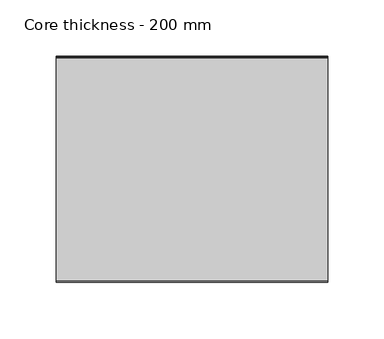
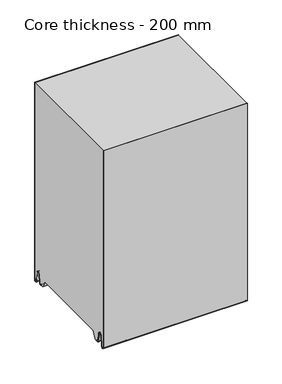
"""IFC4 building model written with IfcOpenShell, lengths in millimetres: plate geometry, Core thickness - 200 mm."""

from ifc_helpers import new_model, si_unit, frame, origin, place, context, project, spatial, polyline, circle_curve, source, transform, mapped, element, save
from ifc_brep_helpers import plane_surface, cylinder_surface, revolved_surface, advanced_brep


def core_thickness_200_mm_a0daf957(model_context):
    return source(origin(), model_context, "Body", "AdvancedBrep", [
        advanced_brep(
        [(119.9999998, -199.9996949, 3.0900682), (119.9999998, -193.81449, 2.7875612), (119.9999998, -192.197116, 19.2828169), (119.9999998, -189.1776715, 21.9898782), (119.9999998, -186.1582271, 19.2828169), (119.9999998, -184.7725998, 5.1510966), (119.9999998, -180.3830995, 5.365779), (119.9999998, -181.1830995, 5.365779), (119.9999998, -183.9764178, 5.2291629), (119.9999998, -185.3620451, 19.3608832), (119.9999998, -189.1776715, 22.7899182), (119.9999998, -192.9932979, 19.3608832), (119.9999998, -194.6106719, 2.8656275), (119.9999998, -199.1996949, 3.0900682), (119.9999998, -199.2, 350.0), (119.9999998, -199.9996949, 350.0), (-119.9999998, -199.1996949, 3.0900682), (-119.9999998, -194.6106719, 2.8656275), (-119.9999998, -192.9932979, 19.3608832), (-119.9999998, -189.1776715, 22.7899182), (-119.9999998, -185.3620451, 19.3608832), (-119.9999998, -183.9764178, 5.2291629), (-119.9999998, -181.1830995, 5.365779), (-119.9999998, -180.3830995, 5.365779), (-119.9999998, -184.7725998, 5.1510966), (-119.9999998, -186.1582271, 19.2828169), (-119.9999998, -189.1776715, 21.9898782), (-119.9999998, -192.197116, 19.2828169), (-119.9999998, -193.81449, 2.7875612), (-119.9999998, -199.9996949, 3.0900682), (-119.9999998, -199.9996949, 350.0), (-119.9999998, -199.2, 350.0)],
        [
            (0, 1, circle_curve(frame((119.9999998, -196.8996949, 3.0900682), z_axis=(1.0, 0.0, 0.0), x_axis=(0.0, 0.0, -1.0)), 3.1)),
            (1, 2),
            (2, 3, circle_curve(frame((119.9999998, -189.2114338, 18.9900682), z_axis=(-1.0, 0.0, 0.0), x_axis=(0.0, 0.0, -1.0)), 3.0)),
            (3, 4, circle_curve(frame((119.9999998, -189.1439093, 18.9900682), z_axis=(-1.0, 0.0, 0.0), x_axis=(0.0, 0.0, -1.0)), 3.0)),
            (4, 5),
            (5, 6, circle_curve(frame((119.9999998, -182.5830995, 5.365779), z_axis=(1.0, 0.0, 0.0), x_axis=(0.0, 0.0, -1.0)), 2.2)),
            (6, 7),
            (7, 8, circle_curve(frame((119.9999998, -182.5830995, 5.365779), z_axis=(-1.0, 0.0, 0.0), x_axis=(0.0, 0.0, -1.0)), 1.4)),
            (8, 9),
            (9, 10, circle_curve(frame((119.9999998, -189.1439093, 18.9900682), z_axis=(1.0, 0.0, 0.0), x_axis=(0.0, 0.0, -1.0)), 3.8)),
            (10, 11, circle_curve(frame((119.9999998, -189.2114338, 18.9900682), z_axis=(1.0, 0.0, 0.0), x_axis=(0.0, 0.0, -1.0)), 3.8)),
            (11, 12),
            (12, 13, circle_curve(frame((119.9999998, -196.8996949, 3.0900682), z_axis=(-1.0, 0.0, 0.0), x_axis=(0.0, 0.0, -1.0)), 2.3)),
            (13, 14),
            (14, 15),
            (15, 0),
            (16, 17, circle_curve(frame((-119.9999998, -196.8996949, 3.0900682), z_axis=(1.0, 0.0, 0.0), x_axis=(0.0, 0.0, -1.0)), 2.3)),
            (17, 18),
            (18, 19, circle_curve(frame((-119.9999998, -189.2114338, 18.9900682), z_axis=(-1.0, 0.0, 0.0), x_axis=(0.0, 0.0, -1.0)), 3.8)),
            (19, 20, circle_curve(frame((-119.9999998, -189.1439093, 18.9900682), z_axis=(-1.0, 0.0, 0.0), x_axis=(0.0, 0.0, -1.0)), 3.8)),
            (20, 21),
            (21, 22, circle_curve(frame((-119.9999998, -182.5830995, 5.365779), z_axis=(1.0, 0.0, 0.0), x_axis=(0.0, 0.0, -1.0)), 1.4)),
            (22, 23),
            (23, 24, circle_curve(frame((-119.9999998, -182.5830995, 5.365779), z_axis=(-1.0, 0.0, 0.0), x_axis=(0.0, 0.0, -1.0)), 2.2)),
            (24, 25),
            (25, 26, circle_curve(frame((-119.9999998, -189.1439093, 18.9900682), z_axis=(1.0, 0.0, 0.0), x_axis=(0.0, 0.0, -1.0)), 3.0)),
            (26, 27, circle_curve(frame((-119.9999998, -189.2114338, 18.9900682), z_axis=(1.0, 0.0, 0.0), x_axis=(0.0, 0.0, -1.0)), 3.0)),
            (27, 28),
            (28, 29, circle_curve(frame((-119.9999998, -196.8996949, 3.0900682), z_axis=(-1.0, 0.0, 0.0), x_axis=(0.0, 0.0, -1.0)), 3.1)),
            (29, 30),
            (30, 31),
            (31, 16),
            (13, 16),
            (31, 14),
            (29, 0),
            (15, 30),
            (12, 17),
            (11, 18),
            (10, 19),
            (9, 20),
            (8, 21),
            (7, 22),
            (6, 23),
            (5, 24),
            (4, 25),
            (3, 26),
            (2, 27),
            (1, 28),
        ],
        [
            plane_surface(frame((119.9999998, -200.0, 0.0), z_axis=(1.0, 0.0, 0.0), x_axis=(0.0, 1.0, 0.0))),
            plane_surface(frame((-119.9999998, -200.0, 0.0), z_axis=(-1.0, 0.0, 0.0), x_axis=(0.0, 1.0, 0.0))),
            plane_surface(frame((119.9999998, -199.2, 3.0900682), z_axis=(0.0, 1.0, 0.0), x_axis=(-1.0, 0.0, 0.0))),
            plane_surface(frame((119.9999998, -199.9996949, 1143.9000005), z_axis=(0.0, -1.0, 0.0), x_axis=(-1.0, 0.0, 0.0))),
            revolved_surface(polyline([(-119.9999998, -196.8996949, 0.7900682000000003), (119.9999998, -196.8996949, 0.7900682000000003)]), (119.9999998, -196.8996949, 3.0900682), (-1.0, 0.0, 0.0)),
            plane_surface(frame((119.9999998, -192.9932979, 19.3608832), z_axis=(0.0, -0.9952273999818314, 0.09758289975914787), x_axis=(-1.0, 0.0, 0.0))),
            cylinder_surface(frame((119.9999998, -189.2114338, 18.9900682), z_axis=(1.0, 0.0, 0.0), x_axis=(0.0, 0.0, -1.0)), 3.8),
            cylinder_surface(frame((119.9999998, -189.1439093, 18.9900682), z_axis=(1.0, 0.0, 0.0), x_axis=(0.0, 0.0, -1.0)), 3.8),
            plane_surface(frame((119.9999998, -183.9764178, 5.2291629), z_axis=(0.0, 0.9952273999818297, 0.09758289975916531), x_axis=(-1.0, 0.0, 0.0))),
            revolved_surface(polyline([(-119.9999998, -182.5830995, 3.965779), (119.9999998, -182.5830995, 3.965779)]), (119.9999998, -182.5830995, 5.365779), (-1.0, 0.0, 0.0)),
            plane_surface(frame((119.9999998, -180.3830995, 5.365779), z_axis=(0.0, 0.0, 1.0), x_axis=(-1.0, 0.0, 0.0))),
            cylinder_surface(frame((119.9999998, -182.5830995, 5.365779), z_axis=(1.0, 0.0, 0.0), x_axis=(0.0, 0.0, -1.0)), 2.2),
            plane_surface(frame((119.9999998, -186.1582271, 19.2828169), z_axis=(0.0, -0.9952273999818296, -0.09758289975916527), x_axis=(-1.0, 0.0, 0.0))),
            revolved_surface(polyline([(-119.9999998, -189.1439093, 15.9900682), (119.9999998, -189.1439093, 15.9900682)]), (119.9999998, -189.1439093, 18.9900682), (-1.0, 0.0, 0.0)),
            revolved_surface(polyline([(-119.9999998, -189.2114338, 15.9900682), (119.9999998, -189.2114338, 15.9900682)]), (119.9999998, -189.2114338, 18.9900682), (-1.0, 0.0, 0.0)),
            plane_surface(frame((119.9999998, -193.81449, 2.7875612), z_axis=(0.0, 0.9952273999818314, -0.09758289975914787), x_axis=(-1.0, 0.0, 0.0))),
            cylinder_surface(frame((119.9999998, -196.8996949, 3.0900682), z_axis=(1.0, 0.0, 0.0), x_axis=(0.0, 0.0, -1.0)), 3.1),
            plane_surface(frame((-119.9999998, 134.0533409, 350.0), z_axis=(0.0, 0.0, 1.0), x_axis=(1.0, 0.0, 0.0))),
        ],
        [
            (0, [[1, 2, 3, 4, 5, 6, 7, 8, 9, 10, 11, 12, 13, 14, 15, 16]]),
            (1, [[17, 18, 19, 20, 21, 22, 23, 24, 25, 26, 27, 28, 29, 30, 31, 32]]),
            (2, [[33, -32, 34, -14]]),
            (3, [[35, -16, 36, -30]]),
            (4, [[-13, 37, -17, -33]]),
            (5, [[-12, 38, -18, -37]]),
            (6, [[-11, 39, -19, -38]]),
            (7, [[-10, 40, -20, -39]]),
            (8, [[-9, 41, -21, -40]]),
            (9, [[-8, 42, -22, -41]]),
            (10, [[-7, 43, -23, -42]]),
            (11, [[-6, 44, -24, -43]]),
            (12, [[-5, 45, -25, -44]]),
            (13, [[-4, 46, -26, -45]]),
            (14, [[-3, 47, -27, -46]]),
            (15, [[-2, 48, -28, -47]]),
            (16, [[-1, -35, -29, -48]]),
            (17, [[-15, -34, -31, -36]]),
        ],
    ),
        advanced_brep(
        [(119.9999998, -169.873448, 15.1417681), (119.9999998, -30.126552, 15.1417681), (119.9999998, -23.4071318, 3.165779), (119.9999998, -17.4169005, 3.165779), (119.9999998, -19.6169005, 5.365779), (119.9999998, -18.8169005, 5.365779), (119.9999998, -16.0235822, 5.2291629), (119.9999998, -14.6379549, 19.3608832), (119.9999998, -10.8223285, 22.7899182), (119.9999998, -7.0067021, 19.3608832), (119.9999998, -5.3893281, 2.8656275), (119.9999998, -1.0794848, 4.1883784), (119.9999998, -1.5003051, 5.8439114), (119.9999998, -1.5003051, 42.0511837), (119.9999998, -1.0971009, 43.4705951), (119.9999998, -0.8, 44.5229805), (119.9999998, -0.8, 94.6827637), (119.9999998, -1.0986697, 95.7341795), (119.9999998, -1.5003051, 97.1545605), (119.9999998, -1.5003051, 147.3143437), (119.9999998, -1.0971009, 148.7337551), (119.9999998, -0.8, 149.7861405), (119.9999998, -0.8, 199.9459237), (119.9999998, -1.0986697, 200.9973395), (119.9999998, -1.5003051, 202.4177205), (119.9999998, -1.5003051, 252.5775037), (119.9999998, -1.0971009, 253.9969151), (119.9999998, -0.8, 255.0493005), (119.9999998, -0.8, 305.2090837), (119.9999998, -1.0986697, 306.2604995), (119.9999998, -1.5003051, 307.6808805), (119.9999998, -1.5003051, 350.0), (119.9999998, -199.2, 350.0), (119.9999998, -199.2, 3.0900682), (119.9999998, -194.6106719, 2.8656275), (119.9999998, -192.9932979, 19.3608832), (119.9999998, -189.1776715, 22.7899182), (119.9999998, -185.3620451, 19.3608832), (119.9999998, -183.9764178, 5.2291629), (119.9999998, -181.1830995, 5.365779), (119.9999998, -180.3830995, 5.365779), (119.9999998, -182.5830995, 3.165779), (119.9999998, -176.5928682, 3.165779), (-119.9999998, -30.126552, 15.1417681), (-119.9999998, -169.873448, 15.1417681), (-119.9999998, -176.5928682, 3.165779), (-119.9999998, -182.5830995, 3.165779), (-119.9999998, -180.3830995, 5.365779), (-119.9999998, -181.1830995, 5.365779), (-119.9999998, -183.9764178, 5.2291629), (-119.9999998, -185.3620451, 19.3608832), (-119.9999998, -189.1776715, 22.7899182), (-119.9999998, -192.9932979, 19.3608832), (-119.9999998, -194.6106719, 2.8656275), (-119.9999998, -199.1996949, 3.0900682), (-119.9999998, -199.2, 350.0), (-119.9999998, -1.5003051, 350.0), (-119.9999998, -1.5003051, 307.6808805), (-119.9999998, -1.0971009, 306.2614691), (-119.9999998, -0.8, 305.2090837), (-119.9999998, -0.8, 255.0493005), (-119.9999998, -1.0986697, 253.9978846), (-119.9999998, -1.5003051, 252.5775037), (-119.9999998, -1.5003051, 202.4177205), (-119.9999998, -1.0971009, 200.9983091), (-119.9999998, -0.8, 199.9459237), (-119.9999998, -0.8, 149.7861405), (-119.9999998, -1.0986697, 148.7347246), (-119.9999998, -1.5003051, 147.3143437), (-119.9999998, -1.5003051, 97.1545605), (-119.9999998, -1.0971009, 95.7351491), (-119.9999998, -0.8, 94.6827637), (-119.9999998, -0.8, 44.5229805), (-119.9999998, -1.0986697, 43.4715646), (-119.9999998, -1.5003051, 42.0511837), (-119.9999998, -1.5003051, 5.8439114), (-119.9999998, -1.0794848, 4.1883784), (-119.9999998, -5.3893281, 2.8656275), (-119.9999998, -7.0067021, 19.3608832), (-119.9999998, -10.8223285, 22.7899182), (-119.9999998, -14.6379549, 19.3608832), (-119.9999998, -16.0235822, 5.2291629), (-119.9999998, -18.8169005, 5.365779), (-119.9999998, -19.6169005, 5.365779), (-119.9999998, -17.4169005, 3.165779), (-119.9999998, -23.4071318, 3.165779)],
        [
            (0, 1),
            (1, 2),
            (2, 3),
            (3, 4, circle_curve(frame((119.9999998, -17.4169005, 5.365779), z_axis=(-1.0, 0.0, 0.0), x_axis=(0.0, 0.0, -1.0)), 2.2)),
            (4, 5),
            (5, 6, circle_curve(frame((119.9999998, -17.4169005, 5.365779), z_axis=(1.0, 0.0, 0.0), x_axis=(0.0, 0.0, -1.0)), 1.4)),
            (6, 7),
            (7, 8, circle_curve(frame((119.9999998, -10.8560907, 18.9900682), z_axis=(-1.0, 0.0, 0.0), x_axis=(0.0, 0.0, -1.0)), 3.8)),
            (8, 9, circle_curve(frame((119.9999998, -10.7885662, 18.9900682), z_axis=(-1.0, 0.0, 0.0), x_axis=(0.0, 0.0, -1.0)), 3.8)),
            (9, 10),
            (10, 11, circle_curve(frame((119.9999998, -3.1003051, 3.0900682), z_axis=(1.0, 0.0, 0.0), x_axis=(0.0, 0.0, -1.0)), 2.3)),
            (11, 12, circle_curve(frame((119.9999998, 1.9665895, 5.8439114), z_axis=(-1.0, 0.0, 0.0), x_axis=(0.0, 0.0, -1.0)), 3.4668946)),
            (12, 13),
            (13, 14, circle_curve(frame((119.9999998, 1.1996949, 42.0511837), z_axis=(-1.0, 0.0, 0.0), x_axis=(0.0, 0.0, -1.0)), 2.7)),
            (14, 15, circle_curve(frame((119.9999998, -2.8, 44.5229805), z_axis=(1.0, 0.0, 0.0), x_axis=(0.0, 0.0, -1.0)), 2.0)),
            (15, 16),
            (16, 17, circle_curve(frame((119.9999998, -2.8, 94.6827637), z_axis=(1.0, 0.0, 0.0), x_axis=(0.0, 0.0, -1.0)), 2.0)),
            (17, 18, circle_curve(frame((119.9999998, 1.1996949, 97.1545605), z_axis=(-1.0, 0.0, 0.0), x_axis=(0.0, 0.0, -1.0)), 2.7)),
            (18, 19),
            (19, 20, circle_curve(frame((119.9999998, 1.1996949, 147.3143437), z_axis=(-1.0, 0.0, 0.0), x_axis=(0.0, 0.0, -1.0)), 2.7)),
            (20, 21, circle_curve(frame((119.9999998, -2.8, 149.7861405), z_axis=(1.0, 0.0, 0.0), x_axis=(0.0, 0.0, -1.0)), 2.0)),
            (21, 22),
            (22, 23, circle_curve(frame((119.9999998, -2.8, 199.9459237), z_axis=(1.0, 0.0, 0.0), x_axis=(0.0, 0.0, -1.0)), 2.0)),
            (23, 24, circle_curve(frame((119.9999998, 1.1996949, 202.4177205), z_axis=(-1.0, 0.0, 0.0), x_axis=(0.0, 0.0, -1.0)), 2.7)),
            (24, 25),
            (25, 26, circle_curve(frame((119.9999998, 1.1996949, 252.5775037), z_axis=(-1.0, 0.0, 0.0), x_axis=(0.0, 0.0, -1.0)), 2.7)),
            (26, 27, circle_curve(frame((119.9999998, -2.8, 255.0493005), z_axis=(1.0, 0.0, 0.0), x_axis=(0.0, 0.0, -1.0)), 2.0)),
            (27, 28),
            (28, 29, circle_curve(frame((119.9999998, -2.8, 305.2090837), z_axis=(1.0, 0.0, 0.0), x_axis=(0.0, 0.0, -1.0)), 2.0)),
            (29, 30, circle_curve(frame((119.9999998, 1.1996949, 307.6808805), z_axis=(-1.0, 0.0, 0.0), x_axis=(0.0, 0.0, -1.0)), 2.7)),
            (30, 31),
            (31, 32),
            (32, 33),
            (33, 34, circle_curve(frame((119.9999998, -196.8996949, 3.0900682), z_axis=(1.0, 0.0, 0.0), x_axis=(0.0, 0.0, -1.0)), 2.3)),
            (34, 35),
            (35, 36, circle_curve(frame((119.9999998, -189.2114338, 18.9900682), z_axis=(-1.0, 0.0, 0.0), x_axis=(0.0, 0.0, -1.0)), 3.8)),
            (36, 37, circle_curve(frame((119.9999998, -189.1439093, 18.9900682), z_axis=(-1.0, 0.0, 0.0), x_axis=(0.0, 0.0, -1.0)), 3.8)),
            (37, 38),
            (38, 39, circle_curve(frame((119.9999998, -182.5830995, 5.365779), z_axis=(1.0, 0.0, 0.0), x_axis=(0.0, 0.0, -1.0)), 1.4)),
            (39, 40),
            (40, 41, circle_curve(frame((119.9999998, -182.5830995, 5.365779), z_axis=(-1.0, 0.0, 0.0), x_axis=(0.0, 0.0, -1.0)), 2.2)),
            (41, 42),
            (42, 0),
            (43, 44),
            (44, 45),
            (45, 46),
            (46, 47, circle_curve(frame((-119.9999998, -182.5830995, 5.365779), z_axis=(1.0, 0.0, 0.0), x_axis=(0.0, 0.0, -1.0)), 2.2)),
            (47, 48),
            (48, 49, circle_curve(frame((-119.9999998, -182.5830995, 5.365779), z_axis=(-1.0, 0.0, 0.0), x_axis=(0.0, 0.0, -1.0)), 1.4)),
            (49, 50),
            (50, 51, circle_curve(frame((-119.9999998, -189.1439093, 18.9900682), z_axis=(1.0, 0.0, 0.0), x_axis=(0.0, 0.0, -1.0)), 3.8)),
            (51, 52, circle_curve(frame((-119.9999998, -189.2114338, 18.9900682), z_axis=(1.0, 0.0, 0.0), x_axis=(0.0, 0.0, -1.0)), 3.8)),
            (52, 53),
            (53, 54, circle_curve(frame((-119.9999998, -196.8996949, 3.0900682), z_axis=(-1.0, 0.0, 0.0), x_axis=(0.0, 0.0, -1.0)), 2.3)),
            (54, 55),
            (55, 56),
            (56, 57),
            (57, 58, circle_curve(frame((-119.9999998, 1.1996949, 307.6808805), z_axis=(1.0, 0.0, 0.0), x_axis=(0.0, 0.0, -1.0)), 2.7)),
            (58, 59, circle_curve(frame((-119.9999998, -2.8, 305.2090837), z_axis=(-1.0, 0.0, 0.0), x_axis=(0.0, 0.0, -1.0)), 2.0)),
            (59, 60),
            (60, 61, circle_curve(frame((-119.9999998, -2.8, 255.0493005), z_axis=(-1.0, 0.0, 0.0), x_axis=(0.0, 0.0, -1.0)), 2.0)),
            (61, 62, circle_curve(frame((-119.9999998, 1.1996949, 252.5775037), z_axis=(1.0, 0.0, 0.0), x_axis=(0.0, 0.0, -1.0)), 2.7)),
            (62, 63),
            (63, 64, circle_curve(frame((-119.9999998, 1.1996949, 202.4177205), z_axis=(1.0, 0.0, 0.0), x_axis=(0.0, 0.0, -1.0)), 2.7)),
            (64, 65, circle_curve(frame((-119.9999998, -2.8, 199.9459237), z_axis=(-1.0, 0.0, 0.0), x_axis=(0.0, 0.0, -1.0)), 2.0)),
            (65, 66),
            (66, 67, circle_curve(frame((-119.9999998, -2.8, 149.7861405), z_axis=(-1.0, 0.0, 0.0), x_axis=(0.0, 0.0, -1.0)), 2.0)),
            (67, 68, circle_curve(frame((-119.9999998, 1.1996949, 147.3143437), z_axis=(1.0, 0.0, 0.0), x_axis=(0.0, 0.0, -1.0)), 2.7)),
            (68, 69),
            (69, 70, circle_curve(frame((-119.9999998, 1.1996949, 97.1545605), z_axis=(1.0, 0.0, 0.0), x_axis=(0.0, 0.0, -1.0)), 2.7)),
            (70, 71, circle_curve(frame((-119.9999998, -2.8, 94.6827637), z_axis=(-1.0, 0.0, 0.0), x_axis=(0.0, 0.0, -1.0)), 2.0)),
            (71, 72),
            (72, 73, circle_curve(frame((-119.9999998, -2.8, 44.5229805), z_axis=(-1.0, 0.0, 0.0), x_axis=(0.0, 0.0, -1.0)), 2.0)),
            (73, 74, circle_curve(frame((-119.9999998, 1.1996949, 42.0511837), z_axis=(1.0, 0.0, 0.0), x_axis=(0.0, 0.0, -1.0)), 2.7)),
            (74, 75),
            (75, 76, circle_curve(frame((-119.9999998, 1.9665895, 5.8439114), z_axis=(1.0, 0.0, 0.0), x_axis=(0.0, 0.0, -1.0)), 3.4668946)),
            (76, 77, circle_curve(frame((-119.9999998, -3.1003051, 3.0900682), z_axis=(-1.0, 0.0, 0.0), x_axis=(0.0, 0.0, -1.0)), 2.3)),
            (77, 78),
            (78, 79, circle_curve(frame((-119.9999998, -10.7885662, 18.9900682), z_axis=(1.0, 0.0, 0.0), x_axis=(0.0, 0.0, -1.0)), 3.8)),
            (79, 80, circle_curve(frame((-119.9999998, -10.8560907, 18.9900682), z_axis=(1.0, 0.0, 0.0), x_axis=(0.0, 0.0, -1.0)), 3.8)),
            (80, 81),
            (81, 82, circle_curve(frame((-119.9999998, -17.4169005, 5.365779), z_axis=(-1.0, 0.0, 0.0), x_axis=(0.0, 0.0, -1.0)), 1.4)),
            (82, 83),
            (83, 84, circle_curve(frame((-119.9999998, -17.4169005, 5.365779), z_axis=(1.0, 0.0, 0.0), x_axis=(0.0, 0.0, -1.0)), 2.2)),
            (84, 85),
            (85, 43),
            (1, 43),
            (85, 2),
            (0, 44),
            (42, 45),
            (64, 23),
            (22, 65),
            (63, 24),
            (62, 25),
            (61, 26),
            (60, 27),
            (59, 28),
            (58, 29),
            (57, 30),
            (56, 31),
            (54, 33),
            (32, 55),
            (84, 3),
            (41, 46),
            (83, 4),
            (82, 5),
            (81, 6),
            (80, 7),
            (79, 8),
            (78, 9),
            (77, 10),
            (76, 11),
            (75, 12),
            (74, 13),
            (73, 14),
            (72, 15),
            (71, 16),
            (70, 17),
            (69, 18),
            (68, 19),
            (67, 20),
            (66, 21),
            (53, 34),
            (52, 35),
            (51, 36),
            (50, 37),
            (49, 38),
            (48, 39),
            (47, 40),
        ],
        [
            plane_surface(frame((119.9999998, 0.0, 0.0), z_axis=(1.0, 0.0, 0.0), x_axis=(0.0, -1.0, 0.0))),
            plane_surface(frame((-119.9999998, 0.0, 0.0), z_axis=(-1.0, 0.0, 0.0), x_axis=(0.0, -1.0, 0.0))),
            plane_surface(frame((119.9999998, -30.126552, 15.1417681), z_axis=(0.0, -0.8721062992196836, -0.4893164649399687), x_axis=(-1.0, 0.0, 0.0))),
            plane_surface(frame((119.9999998, -169.873448, 15.1417681), z_axis=(0.0, 0.0, -1.0), x_axis=(-1.0, 0.0, 0.0))),
            plane_surface(frame((119.9999998, -176.8190247, 2.7627014), z_axis=(0.0, 0.8721062992196872, -0.4893164649399624), x_axis=(-1.0, 0.0, 0.0))),
            cylinder_surface(frame((249.9999998, -2.8, 199.9459237), z_axis=(-1.0, 0.0, 0.0), x_axis=(0.0, 0.0, -1.0)), 2.0),
            revolved_surface(polyline([(119.99999980000001, 1.1996949, 199.7177205), (-119.99999980000001, 1.1996949, 199.7177205)]), (249.9999998, 1.1996949, 202.4177205), (1.0, 0.0, 0.0)),
            plane_surface(frame((249.9999998, -1.5003051, 252.5775037), z_axis=(0.0, 1.0, 0.0), x_axis=(-1.0, 0.0, 0.0))),
            revolved_surface(polyline([(119.99999980000001, 1.1996949, 249.8775037), (-119.99999980000001, 1.1996949, 249.8775037)]), (249.9999998, 1.1996949, 252.5775037), (1.0, 0.0, 0.0)),
            cylinder_surface(frame((249.9999998, -2.8, 255.0493005), z_axis=(-1.0, 0.0, 0.0), x_axis=(0.0, 0.0, -1.0)), 2.0),
            plane_surface(frame((249.9999998, -0.8, 305.2090837), z_axis=(0.0, 1.0, 0.0), x_axis=(-1.0, 0.0, 0.0))),
            cylinder_surface(frame((249.9999998, -2.8, 305.2090837), z_axis=(-1.0, 0.0, 0.0), x_axis=(0.0, 0.0, -1.0)), 2.0),
            revolved_surface(polyline([(119.99999980000001, 1.1996949, 304.9808805), (-119.99999980000001, 1.1996949, 304.9808805)]), (249.9999998, 1.1996949, 307.6808805), (1.0, 0.0, 0.0)),
            plane_surface(frame((249.9999998, -1.5003051, 357.8406637), z_axis=(0.0, 1.0, 0.0), x_axis=(-1.0, 0.0, 0.0))),
            plane_surface(frame((249.9999998, -199.2, 3.0900682), z_axis=(0.0, -1.0, 0.0), x_axis=(-1.0, 0.0, 0.0))),
            plane_surface(frame((-119.9999998, -182.5830995, 3.165779), z_axis=(0.0, 0.0, -1.0), x_axis=(1.0, 0.0, 0.0))),
            revolved_surface(polyline([(119.99999980000001, -17.4169005, 3.1657789999999997), (-119.99999980000001, -17.4169005, 3.1657789999999997)]), (249.9999998, -17.4169005, 5.365779), (1.0, 0.0, 0.0)),
            plane_surface(frame((249.9999998, -18.8169005, 5.365779), z_axis=(0.0, 0.0, -1.0), x_axis=(-1.0, 0.0, 0.0))),
            cylinder_surface(frame((249.9999998, -17.4169005, 5.365779), z_axis=(-1.0, 0.0, 0.0), x_axis=(0.0, 0.0, -1.0)), 1.4),
            plane_surface(frame((249.9999998, -14.6379549, 19.3608832), z_axis=(0.0, 0.9952273999818297, -0.09758289975916531), x_axis=(-1.0, 0.0, 0.0))),
            revolved_surface(polyline([(119.99999980000001, -10.8560907, 15.190068199999999), (-119.99999980000001, -10.8560907, 15.190068199999999)]), (249.9999998, -10.8560907, 18.9900682), (1.0, 0.0, 0.0)),
            revolved_surface(polyline([(119.99999980000001, -10.7885662, 15.190068199999999), (-119.99999980000001, -10.7885662, 15.190068199999999)]), (249.9999998, -10.7885662, 18.9900682), (1.0, 0.0, 0.0)),
            plane_surface(frame((249.9999998, -5.3893281, 2.8656275), z_axis=(0.0, -0.9952273999818314, -0.09758289975914787), x_axis=(-1.0, 0.0, 0.0))),
            cylinder_surface(frame((249.9999998, -3.1003051, 3.0900682), z_axis=(-1.0, 0.0, 0.0), x_axis=(0.0, 0.0, -1.0)), 2.3),
            revolved_surface(polyline([(119.99999980000001, 1.9665895, 2.3770168), (-119.99999980000001, 1.9665895, 2.3770168)]), (249.9999998, 1.9665895, 5.8439114), (1.0, 0.0, 0.0)),
            plane_surface(frame((249.9999998, -1.5003051, 42.0511837), z_axis=(0.0, 1.0, 0.0), x_axis=(-1.0, 0.0, 0.0))),
            revolved_surface(polyline([(119.99999980000001, 1.1996949, 39.3511837), (-119.99999980000001, 1.1996949, 39.3511837)]), (249.9999998, 1.1996949, 42.0511837), (1.0, 0.0, 0.0)),
            cylinder_surface(frame((249.9999998, -2.8, 44.5229805), z_axis=(-1.0, 0.0, 0.0), x_axis=(0.0, 0.0, -1.0)), 2.0),
            plane_surface(frame((249.9999998, -0.8, 94.6827637), z_axis=(0.0, 1.0, 0.0), x_axis=(-1.0, 0.0, 0.0))),
            cylinder_surface(frame((249.9999998, -2.8, 94.6827637), z_axis=(-1.0, 0.0, 0.0), x_axis=(0.0, 0.0, -1.0)), 2.0),
            revolved_surface(polyline([(119.99999980000001, 1.1996949, 94.4545605), (-119.99999980000001, 1.1996949, 94.4545605)]), (249.9999998, 1.1996949, 97.1545605), (1.0, 0.0, 0.0)),
            plane_surface(frame((249.9999998, -1.5003051, 147.3143437), z_axis=(0.0, 1.0, 0.0), x_axis=(-1.0, 0.0, 0.0))),
            revolved_surface(polyline([(119.99999980000001, 1.1996949, 144.6143437), (-119.99999980000001, 1.1996949, 144.6143437)]), (249.9999998, 1.1996949, 147.3143437), (1.0, 0.0, 0.0)),
            cylinder_surface(frame((249.9999998, -2.8, 149.7861405), z_axis=(-1.0, 0.0, 0.0), x_axis=(0.0, 0.0, -1.0)), 2.0),
            plane_surface(frame((249.9999998, -0.8, 199.9459237), z_axis=(0.0, 1.0, 0.0), x_axis=(-1.0, 0.0, 0.0))),
            cylinder_surface(frame((249.9999998, -196.8996949, 3.0900682), z_axis=(-1.0, 0.0, 0.0), x_axis=(0.0, 0.0, -1.0)), 2.3),
            plane_surface(frame((249.9999998, -192.9932979, 19.3608832), z_axis=(0.0, 0.9952273999818314, -0.09758289975914787), x_axis=(-1.0, 0.0, 0.0))),
            revolved_surface(polyline([(119.99999980000001, -189.2114338, 15.190068199999999), (-119.99999980000001, -189.2114338, 15.190068199999999)]), (249.9999998, -189.2114338, 18.9900682), (1.0, 0.0, 0.0)),
            revolved_surface(polyline([(119.99999980000001, -189.1439093, 15.190068199999999), (-119.99999980000001, -189.1439093, 15.190068199999999)]), (249.9999998, -189.1439093, 18.9900682), (1.0, 0.0, 0.0)),
            plane_surface(frame((249.9999998, -183.9764178, 5.2291629), z_axis=(0.0, -0.9952273999818297, -0.09758289975916531), x_axis=(-1.0, 0.0, 0.0))),
            cylinder_surface(frame((249.9999998, -182.5830995, 5.365779), z_axis=(-1.0, 0.0, 0.0), x_axis=(0.0, 0.0, -1.0)), 1.4),
            plane_surface(frame((249.9999998, -180.3830995, 5.365779), z_axis=(0.0, 0.0, -1.0), x_axis=(-1.0, 0.0, 0.0))),
            revolved_surface(polyline([(119.99999980000001, -182.5830995, 3.1657789999999997), (-119.99999980000001, -182.5830995, 3.1657789999999997)]), (249.9999998, -182.5830995, 5.365779), (1.0, 0.0, 0.0)),
            plane_surface(frame((-119.9999998, 134.0533409, 350.0), z_axis=(0.0, 0.0, 1.0), x_axis=(1.0, 0.0, 0.0))),
        ],
        [
            (0, [[1, 2, 3, 4, 5, 6, 7, 8, 9, 10, 11, 12, 13, 14, 15, 16, 17, 18, 19, 20, 21, 22, 23, 24, 25, 26, 27, 28, 29, 30, 31, 32, 33, 34, 35, 36, 37, 38, 39, 40, 41, 42, 43]]),
            (1, [[44, 45, 46, 47, 48, 49, 50, 51, 52, 53, 54, 55, 56, 57, 58, 59, 60, 61, 62, 63, 64, 65, 66, 67, 68, 69, 70, 71, 72, 73, 74, 75, 76, 77, 78, 79, 80, 81, 82, 83, 84, 85, 86]]),
            (2, [[87, -86, 88, -2]]),
            (3, [[-1, 89, -44, -87]]),
            (4, [[-89, -43, 90, -45]]),
            (5, [[91, -23, 92, -65]]),
            (6, [[-91, -64, 93, -24]]),
            (7, [[-93, -63, 94, -25]]),
            (8, [[-94, -62, 95, -26]]),
            (9, [[-95, -61, 96, -27]]),
            (10, [[-96, -60, 97, -28]]),
            (11, [[-97, -59, 98, -29]]),
            (12, [[-98, -58, 99, -30]]),
            (13, [[-99, -57, 100, -31]]),
            (14, [[101, -33, 102, -55]]),
            (15, [[-3, -88, -85, 103]]),
            (15, [[-42, 104, -46, -90]]),
            (16, [[105, -4, -103, -84]]),
            (17, [[-105, -83, 106, -5]]),
            (18, [[-106, -82, 107, -6]]),
            (19, [[-107, -81, 108, -7]]),
            (20, [[-108, -80, 109, -8]]),
            (21, [[-109, -79, 110, -9]]),
            (22, [[-110, -78, 111, -10]]),
            (23, [[-111, -77, 112, -11]]),
            (24, [[-112, -76, 113, -12]]),
            (25, [[-113, -75, 114, -13]]),
            (26, [[-114, -74, 115, -14]]),
            (27, [[-115, -73, 116, -15]]),
            (28, [[-116, -72, 117, -16]]),
            (29, [[-117, -71, 118, -17]]),
            (30, [[-118, -70, 119, -18]]),
            (31, [[-119, -69, 120, -19]]),
            (32, [[-120, -68, 121, -20]]),
            (33, [[-121, -67, 122, -21]]),
            (34, [[-122, -66, -92, -22]]),
            (35, [[-101, -54, 123, -34]]),
            (36, [[-123, -53, 124, -35]]),
            (37, [[-124, -52, 125, -36]]),
            (38, [[-125, -51, 126, -37]]),
            (39, [[-126, -50, 127, -38]]),
            (40, [[-127, -49, 128, -39]]),
            (41, [[-128, -48, 129, -40]]),
            (42, [[-129, -47, -104, -41]]),
            (43, [[-100, -56, -102, -32]]),
        ],
    ),
        advanced_brep(
        [(-119.9999998, -0.7003051, 307.6808805), (-119.9999998, -0.4016712, 306.6295226), (-119.9999998, -0.0003051, 305.2090837), (-119.9999998, -0.0003051, 255.0493005), (-119.9999998, -0.4034608, 253.6299674), (-119.9999998, -0.7003051, 252.5775037), (-119.9999998, -0.7003051, 202.4177205), (-119.9999998, -0.4016712, 201.3663626), (-119.9999998, -0.0003051, 199.9459237), (-119.9999998, -0.0003051, 149.7861405), (-119.9999998, -0.4034608, 148.3668074), (-119.9999998, -0.7003051, 147.3143437), (-119.9999998, -0.7003051, 97.1545605), (-119.9999998, -0.4016712, 96.1032026), (-119.9999998, -0.0003051, 94.6827637), (-119.9999998, -0.0003051, 44.5229805), (-119.9999998, -0.4034608, 43.1036474), (-119.9999998, -0.7003051, 42.0511837), (-119.9999998, -0.7003051, 6.8391397), (-119.9999998, -0.2091664, 4.208691), (-119.9999998, -6.18551, 2.7875612), (-119.9999998, -7.802884, 19.2828169), (-119.9999998, -10.8223285, 21.9898782), (-119.9999998, -13.8417729, 19.2828169), (-119.9999998, -15.2274002, 5.1510966), (-119.9999998, -19.6169005, 5.365779), (-119.9999998, -18.8169005, 5.365779), (-119.9999998, -16.0235822, 5.2291629), (-119.9999998, -14.6379549, 19.3608832), (-119.9999998, -10.8223285, 22.7899182), (-119.9999998, -7.0067021, 19.3608832), (-119.9999998, -5.3893281, 2.8656275), (-119.9999998, -1.0794848, 4.1883784), (-119.9999998, -1.5003051, 5.8439114), (-119.9999998, -1.5003051, 42.0511837), (-119.9999998, -1.0971009, 43.4705951), (-119.9999998, -0.8, 44.5229805), (-119.9999998, -0.8, 94.6827637), (-119.9999998, -1.0986697, 95.7341795), (-119.9999998, -1.5003051, 97.1545605), (-119.9999998, -1.5003051, 147.3143437), (-119.9999998, -1.0971009, 148.7337551), (-119.9999998, -0.8, 149.7861405), (-119.9999998, -0.8, 199.9459237), (-119.9999998, -1.0986697, 200.9973395), (-119.9999998, -1.5003051, 202.4177205), (-119.9999998, -1.5003051, 252.5775037), (-119.9999998, -1.0971009, 253.9969151), (-119.9999998, -0.8, 255.0493005), (-119.9999998, -0.8, 305.2090837), (-119.9999998, -1.0986697, 306.2604995), (-119.9999998, -1.5003051, 307.6808805), (-119.9999998, -1.5003051, 350.0), (-119.9999998, -0.7003051, 350.0), (119.9999998, -1.5003051, 307.6808805), (119.9999998, -1.0971009, 306.2614691), (119.9999998, -0.8, 305.2090837), (119.9999998, -0.8, 255.0493005), (119.9999998, -1.0986697, 253.9978846), (119.9999998, -1.5003051, 252.5775037), (119.9999998, -1.5003051, 202.4177205), (119.9999998, -1.0971009, 200.9983091), (119.9999998, -0.8, 199.9459237), (119.9999998, -0.8, 149.7861405), (119.9999998, -1.0986697, 148.7347246), (119.9999998, -1.5003051, 147.3143437), (119.9999998, -1.5003051, 97.1545605), (119.9999998, -1.0971009, 95.7351491), (119.9999998, -0.8, 94.6827637), (119.9999998, -0.8, 44.5229805), (119.9999998, -1.0986697, 43.4715646), (119.9999998, -1.5003051, 42.0511837), (119.9999998, -1.5003051, 5.8439114), (119.9999998, -1.0794848, 4.1883784), (119.9999998, -5.3893281, 2.8656275), (119.9999998, -7.0067021, 19.3608832), (119.9999998, -10.8223285, 22.7899182), (119.9999998, -14.6379549, 19.3608832), (119.9999998, -16.0235822, 5.2291629), (119.9999998, -18.8169005, 5.365779), (119.9999998, -19.6169005, 5.365779), (119.9999998, -15.2274002, 5.1510966), (119.9999998, -13.8417729, 19.2828169), (119.9999998, -10.8223285, 21.9898782), (119.9999998, -7.802884, 19.2828169), (119.9999998, -6.18551, 2.7875612), (119.9999998, -0.2091664, 4.208691), (119.9999998, -0.7003051, 6.8391397), (119.9999998, -0.7003051, 42.0511837), (119.9999998, -0.4016712, 43.1025415), (119.9999998, -0.0003051, 44.5229805), (119.9999998, -0.0003051, 94.6827637), (119.9999998, -0.4034608, 96.1020968), (119.9999998, -0.7003051, 97.1545605), (119.9999998, -0.7003051, 147.3143437), (119.9999998, -0.4016712, 148.3657015), (119.9999998, -0.0003051, 149.7861405), (119.9999998, -0.0003051, 199.9459237), (119.9999998, -0.4034608, 201.3652568), (119.9999998, -0.7003051, 202.4177205), (119.9999998, -0.7003051, 252.5775037), (119.9999998, -0.4016712, 253.6288615), (119.9999998, -0.0003051, 255.0493005), (119.9999998, -0.0003051, 305.2090837), (119.9999998, -0.4034608, 306.6284168), (119.9999998, -0.7003051, 307.6808805), (119.9999998, -0.7003051, 350.0), (119.9999998, -1.5003051, 350.0)],
        [
            (0, 1, circle_curve(frame((-119.9999998, 1.2996949, 307.6808805), z_axis=(1.0, 0.0, 0.0), x_axis=(0.0, 0.0, -1.0)), 2.0)),
            (1, 2, circle_curve(frame((-119.9999998, -2.7003051, 305.2090837), z_axis=(-1.0, 0.0, 0.0), x_axis=(0.0, 0.0, -1.0)), 2.7)),
            (2, 3),
            (3, 4, circle_curve(frame((-119.9999998, -2.7003051, 255.0493005), z_axis=(-1.0, 0.0, 0.0), x_axis=(0.0, 0.0, -1.0)), 2.7)),
            (4, 5, circle_curve(frame((-119.9999998, 1.2996949, 252.5775037), z_axis=(1.0, 0.0, 0.0), x_axis=(0.0, 0.0, -1.0)), 2.0)),
            (5, 6),
            (6, 7, circle_curve(frame((-119.9999998, 1.2996949, 202.4177205), z_axis=(1.0, 0.0, 0.0), x_axis=(0.0, 0.0, -1.0)), 2.0)),
            (7, 8, circle_curve(frame((-119.9999998, -2.7003051, 199.9459237), z_axis=(-1.0, 0.0, 0.0), x_axis=(0.0, 0.0, -1.0)), 2.7)),
            (8, 9),
            (9, 10, circle_curve(frame((-119.9999998, -2.7003051, 149.7861405), z_axis=(-1.0, 0.0, 0.0), x_axis=(0.0, 0.0, -1.0)), 2.7)),
            (10, 11, circle_curve(frame((-119.9999998, 1.2996949, 147.3143437), z_axis=(1.0, 0.0, 0.0), x_axis=(0.0, 0.0, -1.0)), 2.0)),
            (11, 12),
            (12, 13, circle_curve(frame((-119.9999998, 1.2996949, 97.1545605), z_axis=(1.0, 0.0, 0.0), x_axis=(0.0, 0.0, -1.0)), 2.0)),
            (13, 14, circle_curve(frame((-119.9999998, -2.7003051, 94.6827637), z_axis=(-1.0, 0.0, 0.0), x_axis=(0.0, 0.0, -1.0)), 2.7)),
            (14, 15),
            (15, 16, circle_curve(frame((-119.9999998, -2.7003051, 44.5229805), z_axis=(-1.0, 0.0, 0.0), x_axis=(0.0, 0.0, -1.0)), 2.7)),
            (16, 17, circle_curve(frame((-119.9999998, 1.2996949, 42.0511837), z_axis=(1.0, 0.0, 0.0), x_axis=(0.0, 0.0, -1.0)), 2.0)),
            (17, 18),
            (18, 19, circle_curve(frame((-119.9999998, 6.5893647, 6.8391397), z_axis=(1.0, 0.0, 0.0), x_axis=(0.0, 0.0, -1.0)), 7.2896698)),
            (19, 20, circle_curve(frame((-119.9999998, -3.1003051, 3.0900682), z_axis=(-1.0, 0.0, 0.0), x_axis=(0.0, 0.0, -1.0)), 3.1)),
            (20, 21),
            (21, 22, circle_curve(frame((-119.9999998, -10.7885662, 18.9900682), z_axis=(1.0, 0.0, 0.0), x_axis=(0.0, 0.0, -1.0)), 3.0)),
            (22, 23, circle_curve(frame((-119.9999998, -10.8560907, 18.9900682), z_axis=(1.0, 0.0, 0.0), x_axis=(0.0, 0.0, -1.0)), 3.0)),
            (23, 24),
            (24, 25, circle_curve(frame((-119.9999998, -17.4169005, 5.365779), z_axis=(-1.0, 0.0, 0.0), x_axis=(0.0, 0.0, -1.0)), 2.2)),
            (25, 26),
            (26, 27, circle_curve(frame((-119.9999998, -17.4169005, 5.365779), z_axis=(1.0, 0.0, 0.0), x_axis=(0.0, 0.0, -1.0)), 1.4)),
            (27, 28),
            (28, 29, circle_curve(frame((-119.9999998, -10.8560907, 18.9900682), z_axis=(-1.0, 0.0, 0.0), x_axis=(0.0, 0.0, -1.0)), 3.8)),
            (29, 30, circle_curve(frame((-119.9999998, -10.7885662, 18.9900682), z_axis=(-1.0, 0.0, 0.0), x_axis=(0.0, 0.0, -1.0)), 3.8)),
            (30, 31),
            (31, 32, circle_curve(frame((-119.9999998, -3.1003051, 3.0900682), z_axis=(1.0, 0.0, 0.0), x_axis=(0.0, 0.0, -1.0)), 2.3)),
            (32, 33, circle_curve(frame((-119.9999998, 1.9665895, 5.8439114), z_axis=(-1.0, 0.0, 0.0), x_axis=(0.0, 0.0, -1.0)), 3.4668946)),
            (33, 34),
            (34, 35, circle_curve(frame((-119.9999998, 1.1996949, 42.0511837), z_axis=(-1.0, 0.0, 0.0), x_axis=(0.0, 0.0, -1.0)), 2.7)),
            (35, 36, circle_curve(frame((-119.9999998, -2.8, 44.5229805), z_axis=(1.0, 0.0, 0.0), x_axis=(0.0, 0.0, -1.0)), 2.0)),
            (36, 37),
            (37, 38, circle_curve(frame((-119.9999998, -2.8, 94.6827637), z_axis=(1.0, 0.0, 0.0), x_axis=(0.0, 0.0, -1.0)), 2.0)),
            (38, 39, circle_curve(frame((-119.9999998, 1.1996949, 97.1545605), z_axis=(-1.0, 0.0, 0.0), x_axis=(0.0, 0.0, -1.0)), 2.7)),
            (39, 40),
            (40, 41, circle_curve(frame((-119.9999998, 1.1996949, 147.3143437), z_axis=(-1.0, 0.0, 0.0), x_axis=(0.0, 0.0, -1.0)), 2.7)),
            (41, 42, circle_curve(frame((-119.9999998, -2.8, 149.7861405), z_axis=(1.0, 0.0, 0.0), x_axis=(0.0, 0.0, -1.0)), 2.0)),
            (42, 43),
            (43, 44, circle_curve(frame((-119.9999998, -2.8, 199.9459237), z_axis=(1.0, 0.0, 0.0), x_axis=(0.0, 0.0, -1.0)), 2.0)),
            (44, 45, circle_curve(frame((-119.9999998, 1.1996949, 202.4177205), z_axis=(-1.0, 0.0, 0.0), x_axis=(0.0, 0.0, -1.0)), 2.7)),
            (45, 46),
            (46, 47, circle_curve(frame((-119.9999998, 1.1996949, 252.5775037), z_axis=(-1.0, 0.0, 0.0), x_axis=(0.0, 0.0, -1.0)), 2.7)),
            (47, 48, circle_curve(frame((-119.9999998, -2.8, 255.0493005), z_axis=(1.0, 0.0, 0.0), x_axis=(0.0, 0.0, -1.0)), 2.0)),
            (48, 49),
            (49, 50, circle_curve(frame((-119.9999998, -2.8, 305.2090837), z_axis=(1.0, 0.0, 0.0), x_axis=(0.0, 0.0, -1.0)), 2.0)),
            (50, 51, circle_curve(frame((-119.9999998, 1.1996949, 307.6808805), z_axis=(-1.0, 0.0, 0.0), x_axis=(0.0, 0.0, -1.0)), 2.7)),
            (51, 52),
            (52, 53),
            (53, 0),
            (54, 55, circle_curve(frame((119.9999998, 1.1996949, 307.6808805), z_axis=(1.0, 0.0, 0.0), x_axis=(0.0, 0.0, -1.0)), 2.7)),
            (55, 56, circle_curve(frame((119.9999998, -2.8, 305.2090837), z_axis=(-1.0, 0.0, 0.0), x_axis=(0.0, 0.0, -1.0)), 2.0)),
            (56, 57),
            (57, 58, circle_curve(frame((119.9999998, -2.8, 255.0493005), z_axis=(-1.0, 0.0, 0.0), x_axis=(0.0, 0.0, -1.0)), 2.0)),
            (58, 59, circle_curve(frame((119.9999998, 1.1996949, 252.5775037), z_axis=(1.0, 0.0, 0.0), x_axis=(0.0, 0.0, -1.0)), 2.7)),
            (59, 60),
            (60, 61, circle_curve(frame((119.9999998, 1.1996949, 202.4177205), z_axis=(1.0, 0.0, 0.0), x_axis=(0.0, 0.0, -1.0)), 2.7)),
            (61, 62, circle_curve(frame((119.9999998, -2.8, 199.9459237), z_axis=(-1.0, 0.0, 0.0), x_axis=(0.0, 0.0, -1.0)), 2.0)),
            (62, 63),
            (63, 64, circle_curve(frame((119.9999998, -2.8, 149.7861405), z_axis=(-1.0, 0.0, 0.0), x_axis=(0.0, 0.0, -1.0)), 2.0)),
            (64, 65, circle_curve(frame((119.9999998, 1.1996949, 147.3143437), z_axis=(1.0, 0.0, 0.0), x_axis=(0.0, 0.0, -1.0)), 2.7)),
            (65, 66),
            (66, 67, circle_curve(frame((119.9999998, 1.1996949, 97.1545605), z_axis=(1.0, 0.0, 0.0), x_axis=(0.0, 0.0, -1.0)), 2.7)),
            (67, 68, circle_curve(frame((119.9999998, -2.8, 94.6827637), z_axis=(-1.0, 0.0, 0.0), x_axis=(0.0, 0.0, -1.0)), 2.0)),
            (68, 69),
            (69, 70, circle_curve(frame((119.9999998, -2.8, 44.5229805), z_axis=(-1.0, 0.0, 0.0), x_axis=(0.0, 0.0, -1.0)), 2.0)),
            (70, 71, circle_curve(frame((119.9999998, 1.1996949, 42.0511837), z_axis=(1.0, 0.0, 0.0), x_axis=(0.0, 0.0, -1.0)), 2.7)),
            (71, 72),
            (72, 73, circle_curve(frame((119.9999998, 1.9665895, 5.8439114), z_axis=(1.0, 0.0, 0.0), x_axis=(0.0, 0.0, -1.0)), 3.4668946)),
            (73, 74, circle_curve(frame((119.9999998, -3.1003051, 3.0900682), z_axis=(-1.0, 0.0, 0.0), x_axis=(0.0, 0.0, -1.0)), 2.3)),
            (74, 75),
            (75, 76, circle_curve(frame((119.9999998, -10.7885662, 18.9900682), z_axis=(1.0, 0.0, 0.0), x_axis=(0.0, 0.0, -1.0)), 3.8)),
            (76, 77, circle_curve(frame((119.9999998, -10.8560907, 18.9900682), z_axis=(1.0, 0.0, 0.0), x_axis=(0.0, 0.0, -1.0)), 3.8)),
            (77, 78),
            (78, 79, circle_curve(frame((119.9999998, -17.4169005, 5.365779), z_axis=(-1.0, 0.0, 0.0), x_axis=(0.0, 0.0, -1.0)), 1.4)),
            (79, 80),
            (80, 81, circle_curve(frame((119.9999998, -17.4169005, 5.365779), z_axis=(1.0, 0.0, 0.0), x_axis=(0.0, 0.0, -1.0)), 2.2)),
            (81, 82),
            (82, 83, circle_curve(frame((119.9999998, -10.8560907, 18.9900682), z_axis=(-1.0, 0.0, 0.0), x_axis=(0.0, 0.0, -1.0)), 3.0)),
            (83, 84, circle_curve(frame((119.9999998, -10.7885662, 18.9900682), z_axis=(-1.0, 0.0, 0.0), x_axis=(0.0, 0.0, -1.0)), 3.0)),
            (84, 85),
            (85, 86, circle_curve(frame((119.9999998, -3.1003051, 3.0900682), z_axis=(1.0, 0.0, 0.0), x_axis=(0.0, 0.0, -1.0)), 3.1)),
            (86, 87, circle_curve(frame((119.9999998, 6.5893647, 6.8391397), z_axis=(-1.0, 0.0, 0.0), x_axis=(0.0, 0.0, -1.0)), 7.2896698)),
            (87, 88),
            (88, 89, circle_curve(frame((119.9999998, 1.2996949, 42.0511837), z_axis=(-1.0, 0.0, 0.0), x_axis=(0.0, 0.0, -1.0)), 2.0)),
            (89, 90, circle_curve(frame((119.9999998, -2.7003051, 44.5229805), z_axis=(1.0, 0.0, 0.0), x_axis=(0.0, 0.0, -1.0)), 2.7)),
            (90, 91),
            (91, 92, circle_curve(frame((119.9999998, -2.7003051, 94.6827637), z_axis=(1.0, 0.0, 0.0), x_axis=(0.0, 0.0, -1.0)), 2.7)),
            (92, 93, circle_curve(frame((119.9999998, 1.2996949, 97.1545605), z_axis=(-1.0, 0.0, 0.0), x_axis=(0.0, 0.0, -1.0)), 2.0)),
            (93, 94),
            (94, 95, circle_curve(frame((119.9999998, 1.2996949, 147.3143437), z_axis=(-1.0, 0.0, 0.0), x_axis=(0.0, 0.0, -1.0)), 2.0)),
            (95, 96, circle_curve(frame((119.9999998, -2.7003051, 149.7861405), z_axis=(1.0, 0.0, 0.0), x_axis=(0.0, 0.0, -1.0)), 2.7)),
            (96, 97),
            (97, 98, circle_curve(frame((119.9999998, -2.7003051, 199.9459237), z_axis=(1.0, 0.0, 0.0), x_axis=(0.0, 0.0, -1.0)), 2.7)),
            (98, 99, circle_curve(frame((119.9999998, 1.2996949, 202.4177205), z_axis=(-1.0, 0.0, 0.0), x_axis=(0.0, 0.0, -1.0)), 2.0)),
            (99, 100),
            (100, 101, circle_curve(frame((119.9999998, 1.2996949, 252.5775037), z_axis=(-1.0, 0.0, 0.0), x_axis=(0.0, 0.0, -1.0)), 2.0)),
            (101, 102, circle_curve(frame((119.9999998, -2.7003051, 255.0493005), z_axis=(1.0, 0.0, 0.0), x_axis=(0.0, 0.0, -1.0)), 2.7)),
            (102, 103),
            (103, 104, circle_curve(frame((119.9999998, -2.7003051, 305.2090837), z_axis=(1.0, 0.0, 0.0), x_axis=(0.0, 0.0, -1.0)), 2.7)),
            (104, 105, circle_curve(frame((119.9999998, 1.2996949, 307.6808805), z_axis=(-1.0, 0.0, 0.0), x_axis=(0.0, 0.0, -1.0)), 2.0)),
            (105, 106),
            (106, 107),
            (107, 54),
            (51, 54),
            (107, 52),
            (50, 55),
            (49, 56),
            (48, 57),
            (47, 58),
            (46, 59),
            (45, 60),
            (44, 61),
            (43, 62),
            (31, 74),
            (73, 32),
            (30, 75),
            (29, 76),
            (28, 77),
            (27, 78),
            (26, 79),
            (25, 80),
            (24, 81),
            (23, 82),
            (22, 83),
            (21, 84),
            (20, 85),
            (19, 86),
            (7, 98),
            (97, 8),
            (6, 99),
            (5, 100),
            (4, 101),
            (3, 102),
            (2, 103),
            (1, 104),
            (0, 105),
            (53, 106),
            (42, 63),
            (41, 64),
            (40, 65),
            (39, 66),
            (38, 67),
            (37, 68),
            (36, 69),
            (35, 70),
            (34, 71),
            (33, 72),
            (18, 87),
            (17, 88),
            (16, 89),
            (15, 90),
            (14, 91),
            (13, 92),
            (12, 93),
            (11, 94),
            (10, 95),
            (9, 96),
        ],
        [
            plane_surface(frame((-119.9999998, 0.0, 0.0), z_axis=(-1.0, 0.0, 0.0), x_axis=(0.0, -1.0, 0.0))),
            plane_surface(frame((119.9999998, 0.0, 0.0), z_axis=(1.0, 0.0, 0.0), x_axis=(0.0, -1.0, 0.0))),
            plane_surface(frame((-119.9999998, -1.5003051, 307.6808805), z_axis=(0.0, -1.0, 0.0), x_axis=(1.0, 0.0, 0.0))),
            cylinder_surface(frame((-119.9999998, 1.1996949, 307.6808805), z_axis=(-1.0, 0.0, 0.0), x_axis=(0.0, 0.0, -1.0)), 2.7),
            revolved_surface(polyline([(119.9999998, -2.8, 303.2090837), (-119.9999998, -2.8, 303.2090837)]), (-119.9999998, -2.8, 305.2090837), (1.0, 0.0, 0.0)),
            plane_surface(frame((-119.9999998, -0.8, 255.0493005), z_axis=(0.0, -1.0, 0.0), x_axis=(1.0, 0.0, 0.0))),
            revolved_surface(polyline([(119.9999998, -2.8, 253.0493005), (-119.9999998, -2.8, 253.0493005)]), (-119.9999998, -2.8, 255.0493005), (1.0, 0.0, 0.0)),
            cylinder_surface(frame((-119.9999998, 1.1996949, 252.5775037), z_axis=(-1.0, 0.0, 0.0), x_axis=(0.0, 0.0, -1.0)), 2.7),
            plane_surface(frame((-119.9999998, -1.5003051, 202.4177205), z_axis=(0.0, -1.0, 0.0), x_axis=(1.0, 0.0, 0.0))),
            cylinder_surface(frame((-119.9999998, 1.1996949, 202.4177205), z_axis=(-1.0, 0.0, 0.0), x_axis=(0.0, 0.0, -1.0)), 2.7),
            revolved_surface(polyline([(119.9999998, -2.8, 197.9459237), (-119.9999998, -2.8, 197.9459237)]), (-119.9999998, -2.8, 199.9459237), (1.0, 0.0, 0.0)),
            revolved_surface(polyline([(119.9999998, -3.1003051, 0.7900682000000003), (-119.9999998, -3.1003051, 0.7900682000000003)]), (-119.9999998, -3.1003051, 3.0900682), (1.0, 0.0, 0.0)),
            plane_surface(frame((-119.9999998, -7.0067021, 19.3608832), z_axis=(0.0, 0.9952273999818314, 0.09758289975914787), x_axis=(1.0, 0.0, 0.0))),
            cylinder_surface(frame((-119.9999998, -10.7885662, 18.9900682), z_axis=(-1.0, 0.0, 0.0), x_axis=(0.0, 0.0, -1.0)), 3.8),
            cylinder_surface(frame((-119.9999998, -10.8560907, 18.9900682), z_axis=(-1.0, 0.0, 0.0), x_axis=(0.0, 0.0, -1.0)), 3.8),
            plane_surface(frame((-119.9999998, -16.0235822, 5.2291629), z_axis=(0.0, -0.9952273999818297, 0.09758289975916531), x_axis=(1.0, 0.0, 0.0))),
            revolved_surface(polyline([(119.9999998, -17.4169005, 3.965779), (-119.9999998, -17.4169005, 3.965779)]), (-119.9999998, -17.4169005, 5.365779), (1.0, 0.0, 0.0)),
            plane_surface(frame((-119.9999998, -19.6169005, 5.365779), z_axis=(0.0, 0.0, 1.0), x_axis=(1.0, 0.0, 0.0))),
            cylinder_surface(frame((-119.9999998, -17.4169005, 5.365779), z_axis=(-1.0, 0.0, 0.0), x_axis=(0.0, 0.0, -1.0)), 2.2),
            plane_surface(frame((-119.9999998, -13.8417729, 19.2828169), z_axis=(0.0, 0.9952273999818296, -0.09758289975916527), x_axis=(1.0, 0.0, 0.0))),
            revolved_surface(polyline([(119.9999998, -10.8560907, 15.9900682), (-119.9999998, -10.8560907, 15.9900682)]), (-119.9999998, -10.8560907, 18.9900682), (1.0, 0.0, 0.0)),
            revolved_surface(polyline([(119.9999998, -10.7885662, 15.9900682), (-119.9999998, -10.7885662, 15.9900682)]), (-119.9999998, -10.7885662, 18.9900682), (1.0, 0.0, 0.0)),
            plane_surface(frame((-119.9999998, -6.18551, 2.7875612), z_axis=(0.0, -0.9952273999818314, -0.09758289975914787), x_axis=(1.0, 0.0, 0.0))),
            cylinder_surface(frame((-119.9999998, -3.1003051, 3.0900682), z_axis=(-1.0, 0.0, 0.0), x_axis=(0.0, 0.0, -1.0)), 3.1),
            cylinder_surface(frame((-119.9999998, -2.7003051, 199.9459237), z_axis=(-1.0, 0.0, 0.0), x_axis=(0.0, 0.0, -1.0)), 2.7),
            revolved_surface(polyline([(119.9999998, 1.2996949, 200.4177205), (-119.9999998, 1.2996949, 200.4177205)]), (-119.9999998, 1.2996949, 202.4177205), (1.0, 0.0, 0.0)),
            plane_surface(frame((-119.9999998, -0.7003051, 252.5775037), z_axis=(0.0, 1.0, 0.0), x_axis=(1.0, 0.0, 0.0))),
            revolved_surface(polyline([(119.9999998, 1.2996949, 250.5775037), (-119.9999998, 1.2996949, 250.5775037)]), (-119.9999998, 1.2996949, 252.5775037), (1.0, 0.0, 0.0)),
            cylinder_surface(frame((-119.9999998, -2.7003051, 255.0493005), z_axis=(-1.0, 0.0, 0.0), x_axis=(0.0, 0.0, -1.0)), 2.7),
            plane_surface(frame((-119.9999998, -0.0003051, 305.2090837), z_axis=(0.0, 1.0, 0.0), x_axis=(1.0, 0.0, 0.0))),
            cylinder_surface(frame((-119.9999998, -2.7003051, 305.2090837), z_axis=(-1.0, 0.0, 0.0), x_axis=(0.0, 0.0, -1.0)), 2.7),
            revolved_surface(polyline([(119.9999998, 1.2996949, 305.6808805), (-119.9999998, 1.2996949, 305.6808805)]), (-119.9999998, 1.2996949, 307.6808805), (1.0, 0.0, 0.0)),
            plane_surface(frame((-119.9999998, -0.7003051, 357.8406637), z_axis=(0.0, 1.0, 0.0), x_axis=(1.0, 0.0, 0.0))),
            plane_surface(frame((-119.9999998, -0.8, 149.7861405), z_axis=(0.0, -1.0, 0.0), x_axis=(1.0, 0.0, 0.0))),
            revolved_surface(polyline([(119.9999998, -2.8, 147.7861405), (-119.9999998, -2.8, 147.7861405)]), (-119.9999998, -2.8, 149.7861405), (1.0, 0.0, 0.0)),
            cylinder_surface(frame((-119.9999998, 1.1996949, 147.3143437), z_axis=(-1.0, 0.0, 0.0), x_axis=(0.0, 0.0, -1.0)), 2.7),
            plane_surface(frame((-119.9999998, -1.5003051, 97.1545605), z_axis=(0.0, -1.0, 0.0), x_axis=(1.0, 0.0, 0.0))),
            cylinder_surface(frame((-119.9999998, 1.1996949, 97.1545605), z_axis=(-1.0, 0.0, 0.0), x_axis=(0.0, 0.0, -1.0)), 2.7),
            revolved_surface(polyline([(119.9999998, -2.8, 92.6827637), (-119.9999998, -2.8, 92.6827637)]), (-119.9999998, -2.8, 94.6827637), (1.0, 0.0, 0.0)),
            plane_surface(frame((-119.9999998, -0.8, 44.5229805), z_axis=(0.0, -1.0, 0.0), x_axis=(1.0, 0.0, 0.0))),
            revolved_surface(polyline([(119.9999998, -2.8, 42.5229805), (-119.9999998, -2.8, 42.5229805)]), (-119.9999998, -2.8, 44.5229805), (1.0, 0.0, 0.0)),
            cylinder_surface(frame((-119.9999998, 1.1996949, 42.0511837), z_axis=(-1.0, 0.0, 0.0), x_axis=(0.0, 0.0, -1.0)), 2.7),
            plane_surface(frame((-119.9999998, -1.5003051, 5.8439114), z_axis=(0.0, -1.0, 0.0), x_axis=(1.0, 0.0, 0.0))),
            cylinder_surface(frame((-119.9999998, 1.9665895, 5.8439114), z_axis=(-1.0, 0.0, 0.0), x_axis=(0.0, 0.0, -1.0)), 3.4668946),
            revolved_surface(polyline([(119.9999998, 6.5893647, -0.4505301000000008), (-119.9999998, 6.5893647, -0.4505301000000008)]), (-119.9999998, 6.5893647, 6.8391397), (1.0, 0.0, 0.0)),
            plane_surface(frame((-119.9999998, -0.7003051, 42.0511837), z_axis=(0.0, 1.0, 0.0), x_axis=(1.0, 0.0, 0.0))),
            revolved_surface(polyline([(119.9999998, 1.2996949, 40.0511837), (-119.9999998, 1.2996949, 40.0511837)]), (-119.9999998, 1.2996949, 42.0511837), (1.0, 0.0, 0.0)),
            cylinder_surface(frame((-119.9999998, -2.7003051, 44.5229805), z_axis=(-1.0, 0.0, 0.0), x_axis=(0.0, 0.0, -1.0)), 2.7),
            plane_surface(frame((-119.9999998, -0.0003051, 94.6827637), z_axis=(0.0, 1.0, 0.0), x_axis=(1.0, 0.0, 0.0))),
            cylinder_surface(frame((-119.9999998, -2.7003051, 94.6827637), z_axis=(-1.0, 0.0, 0.0), x_axis=(0.0, 0.0, -1.0)), 2.7),
            revolved_surface(polyline([(119.9999998, 1.2996949, 95.1545605), (-119.9999998, 1.2996949, 95.1545605)]), (-119.9999998, 1.2996949, 97.1545605), (1.0, 0.0, 0.0)),
            plane_surface(frame((-119.9999998, -0.7003051, 147.3143437), z_axis=(0.0, 1.0, 0.0), x_axis=(1.0, 0.0, 0.0))),
            revolved_surface(polyline([(119.9999998, 1.2996949, 145.3143437), (-119.9999998, 1.2996949, 145.3143437)]), (-119.9999998, 1.2996949, 147.3143437), (1.0, 0.0, 0.0)),
            cylinder_surface(frame((-119.9999998, -2.7003051, 149.7861405), z_axis=(-1.0, 0.0, 0.0), x_axis=(0.0, 0.0, -1.0)), 2.7),
            plane_surface(frame((-119.9999998, -0.0003051, 199.9459237), z_axis=(0.0, 1.0, 0.0), x_axis=(1.0, 0.0, 0.0))),
            plane_surface(frame((-119.9999998, 134.0533409, 350.0), z_axis=(0.0, 0.0, 1.0), x_axis=(1.0, 0.0, 0.0))),
        ],
        [
            (0, [[1, 2, 3, 4, 5, 6, 7, 8, 9, 10, 11, 12, 13, 14, 15, 16, 17, 18, 19, 20, 21, 22, 23, 24, 25, 26, 27, 28, 29, 30, 31, 32, 33, 34, 35, 36, 37, 38, 39, 40, 41, 42, 43, 44, 45, 46, 47, 48, 49, 50, 51, 52, 53, 54]]),
            (1, [[55, 56, 57, 58, 59, 60, 61, 62, 63, 64, 65, 66, 67, 68, 69, 70, 71, 72, 73, 74, 75, 76, 77, 78, 79, 80, 81, 82, 83, 84, 85, 86, 87, 88, 89, 90, 91, 92, 93, 94, 95, 96, 97, 98, 99, 100, 101, 102, 103, 104, 105, 106, 107, 108]]),
            (2, [[109, -108, 110, -52]]),
            (3, [[-51, 111, -55, -109]]),
            (4, [[-50, 112, -56, -111]]),
            (5, [[-49, 113, -57, -112]]),
            (6, [[-48, 114, -58, -113]]),
            (7, [[-47, 115, -59, -114]]),
            (8, [[-46, 116, -60, -115]]),
            (9, [[-45, 117, -61, -116]]),
            (10, [[-44, 118, -62, -117]]),
            (11, [[-32, 119, -74, 120]]),
            (12, [[-31, 121, -75, -119]]),
            (13, [[-30, 122, -76, -121]]),
            (14, [[-29, 123, -77, -122]]),
            (15, [[-28, 124, -78, -123]]),
            (16, [[-27, 125, -79, -124]]),
            (17, [[-26, 126, -80, -125]]),
            (18, [[-25, 127, -81, -126]]),
            (19, [[-24, 128, -82, -127]]),
            (20, [[-23, 129, -83, -128]]),
            (21, [[-22, 130, -84, -129]]),
            (22, [[-21, 131, -85, -130]]),
            (23, [[-20, 132, -86, -131]]),
            (24, [[-8, 133, -98, 134]]),
            (25, [[-7, 135, -99, -133]]),
            (26, [[-6, 136, -100, -135]]),
            (27, [[-5, 137, -101, -136]]),
            (28, [[-4, 138, -102, -137]]),
            (29, [[-3, 139, -103, -138]]),
            (30, [[-2, 140, -104, -139]]),
            (31, [[-1, 141, -105, -140]]),
            (32, [[-141, -54, 142, -106]]),
            (33, [[-43, 143, -63, -118]]),
            (34, [[-42, 144, -64, -143]]),
            (35, [[-41, 145, -65, -144]]),
            (36, [[-40, 146, -66, -145]]),
            (37, [[-39, 147, -67, -146]]),
            (38, [[-38, 148, -68, -147]]),
            (39, [[-37, 149, -69, -148]]),
            (40, [[-36, 150, -70, -149]]),
            (41, [[-35, 151, -71, -150]]),
            (42, [[-34, 152, -72, -151]]),
            (43, [[-33, -120, -73, -152]]),
            (44, [[-19, 153, -87, -132]]),
            (45, [[-18, 154, -88, -153]]),
            (46, [[-17, 155, -89, -154]]),
            (47, [[-16, 156, -90, -155]]),
            (48, [[-15, 157, -91, -156]]),
            (49, [[-14, 158, -92, -157]]),
            (50, [[-13, 159, -93, -158]]),
            (51, [[-12, 160, -94, -159]]),
            (52, [[-11, 161, -95, -160]]),
            (53, [[-10, 162, -96, -161]]),
            (54, [[-9, -134, -97, -162]]),
            (55, [[-53, -110, -107, -142]]),
        ],
    ),
    ])


if __name__ == "__main__":
    model = new_model("IFC4")
    model_context = context("Model", 3, world=origin())
    ifc_project = project(units=[si_unit("LENGTHUNIT", "METRE", prefix="MILLI")], contexts=[model_context])
    site = spatial("IfcSite", under=ifc_project)
    building = spatial("IfcBuilding", under=site)
    placement = place(None, origin())
    core_thickness_200_mm_shape = core_thickness_200_mm_a0daf957(model_context)
    element("IfcPlate", 1, ObjectType="Core thickness - 200 mm", at=placement, inside=building, context=model_context, shape_type="MappedRepresentation", body=[
        mapped(core_thickness_200_mm_shape, transform((0.0, 0.0, 0.0), x_axis=(1.0, 0.0, 0.0), y_axis=(0.0, 1.0, 0.0), z_axis=(0.0, 0.0, 1.0))),
    ])
    save(model, "model.ifc")
